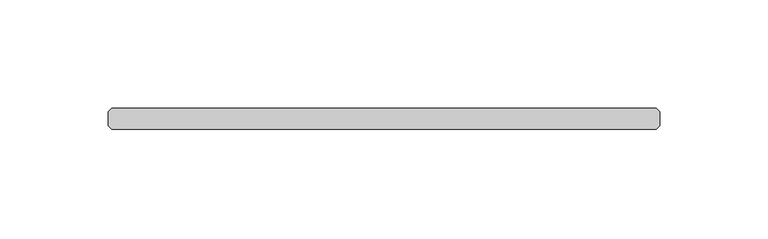
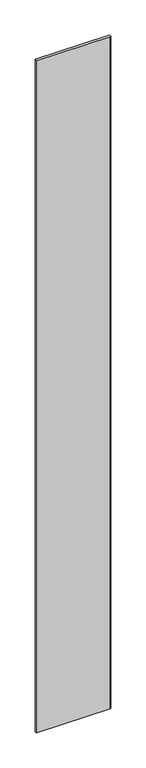
"""IFC4 building model written with IfcOpenShell, lengths in millimetres: plate geometry."""

from ifc_helpers import new_model, si_unit, origin, origin_with_axes, place, context, project, spatial, polyline, outline, extrude, source, transform, mapped, element, save


def plate_eebef130(model_context):
    return source(origin(), model_context, "Body", "SweptSolid", [
        extrude(outline(polyline([(125.4125, -4.7625), (-125.4125, -4.7625), (-127.0, -3.175), (-127.0, 3.175), (-125.4125, 4.7625), (125.4125, 4.7625), (127.0, 3.175), (127.0, -3.175), (125.4125, -4.7625)])), origin_with_axes(), (0.0, 0.0, 1.0), 2427.1914267),
    ])


if __name__ == "__main__":
    model = new_model("IFC4")
    model_context = context("Model", 3, world=origin())
    ifc_project = project(units=[si_unit("LENGTHUNIT", "METRE", prefix="MILLI")], contexts=[model_context])
    site = spatial("IfcSite", under=ifc_project)
    building = spatial("IfcBuilding", under=site)
    placement = place(None, origin())
    plate_shape = plate_eebef130(model_context)
    element("IfcPlate", 1, at=placement, inside=building, context=model_context, shape_type="MappedRepresentation", body=[
        mapped(plate_shape, transform((0.0, 0.0, 0.0), x_axis=(1.0, 0.0, 0.0), y_axis=(0.0, 1.0, 0.0), z_axis=(0.0, 0.0, 1.0))),
    ])
    save(model, "model.ifc")
